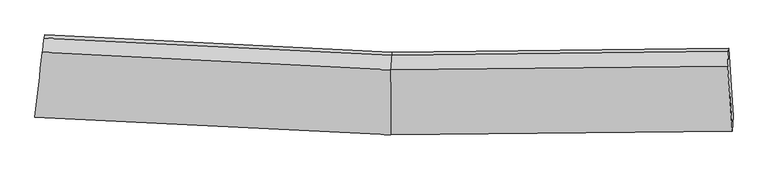
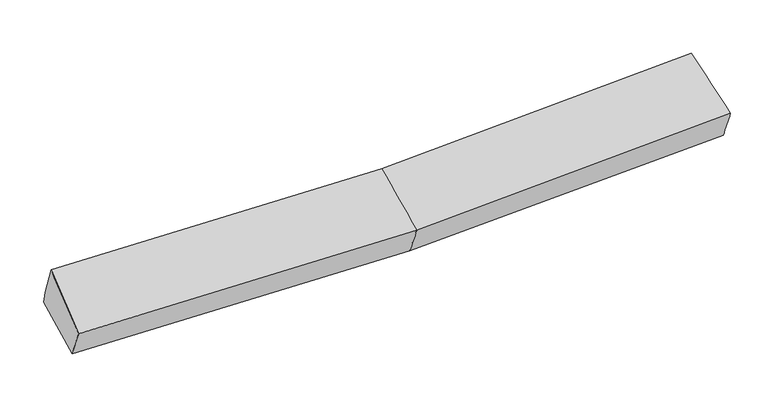
"""IFC4 building model written with IfcOpenShell, lengths in millimetres: proxy geometry."""

from ifc_helpers import new_model, si_unit, frame, origin, place, context, project, spatial, source, transform, mapped, element, save
from ifc_brep_helpers import plane_surface, spline_surface, advanced_brep


def generic_models_896fdf18(model_context):
    return source(origin(), model_context, "Body", "AdvancedBrep", [
        advanced_brep(
        [(-3765.9934287, -1993.8945673, 1991.1801991), (-3746.1031483, -1834.332025, 1641.8424461), (40.5030112, -2025.0001311, 1690.7009188), (29.1032103, -2185.097074, 2040.1743903), (-3663.1515261, -1118.2121495, 1808.8494886), (42.6996271, -1303.797442, 1856.4171104), (-3667.5998998, -1151.7757735, 1954.9785244), (38.2512534, -1337.3610661, 2002.5461462), (-3686.5818263, -1302.8897611, 2325.5903926), (26.3325172, -1488.919619, 2373.270918), (3631.4867192, -1294.2745522, 2111.5607152), (3623.0756605, -1450.2205351, 2501.9143404), (3673.5602983, -2145.3773425, 2170.5047196), (3680.9257069, -1985.7769103, 1800.2645938), (3635.9350929, -1260.7109281, 1965.4316794)],
        [
            (0, 1),
            (1, 2),
            (2, 3),
            (3, 0),
            (1, 4),
            (4, 5),
            (5, 1),
            (4, 6),
            (6, 7),
            (7, 5),
            (6, 8),
            (8, 9),
            (9, 7),
            (8, 0),
            (3, 9),
            (10, 11),
            (11, 12),
            (12, 13),
            (13, 14),
            (14, 10),
            (5, 2),
            (9, 11),
            (10, 7),
            (3, 12),
            (2, 13),
            (5, 14),
        ],
        [
            spline_surface(1, 1, [[(-3765.9934287, -1993.8945673, 1991.1801991), (29.1032103, -2185.097074, 2040.1743903)], [(-3746.1031483, -1834.332025, 1641.8424461), (40.5030112, -2025.0001311, 1690.7009188)]], [2, 2], [2, 2], [0.0, 1.0], [0.0, 1.0]),
            plane_surface(frame((-3704.6273372, -1476.2720872, 1725.3459673), z_axis=(0.023744514423258575, 0.22444322525934154, -0.9741978426736472), x_axis=(0.11209678672186653, 0.9677295615282212, 0.22568519258256423))),
            plane_surface(frame((-3665.375713, -1134.9939615, 1881.9140065), z_axis=(0.045854096828538284, 0.9732916369884391, 0.22494619617233674), x_axis=(-0.029655824975922944, -0.22375749369374515, 0.97419357217182))),
            spline_surface(1, 1, [[(-3667.5998998, -1151.7757735, 1954.9785244), (38.2512534, -1337.3610661, 2002.5461462)], [(-3686.5818263, -1302.8897611, 2325.5903926), (26.3325172, -1488.919619, 2373.270918)]], [2, 2], [2, 2], [0.0, 1.0], [0.0, 1.0]),
            spline_surface(1, 1, [[(-3686.5818263, -1302.8897611, 2325.5903926), (26.3325172, -1488.919619, 2373.270918)], [(-3765.9934287, -1993.8945673, 1991.1801991), (29.1032103, -2185.097074, 2040.1743903)]], [2, 2], [2, 2], [0.0, 1.0], [0.0, 1.0]),
            plane_surface(frame((3648.9966956, -1627.2720537, 2109.9352097), z_axis=(0.9977342179065002, 0.05225691370469712, 0.042375056207212936), x_axis=(-0.020005595400793514, -0.3709155247886142, 0.9284511024407515))),
            plane_surface(frame((-3705.8859658, -1480.2208553, 1944.4882102), z_axis=(-0.9932546714975088, 0.1158968496564687, -0.0036163224527287555), x_axis=(0.10289584946069243, 0.8953543862081669, 0.4333047048689403))),
            plane_surface(frame((-3746.1031483, -1834.332025, 1641.8424461), z_axis=(0.02384142794301904, 0.2238091568227228, -0.9743413404120447), x_axis=(0.002968399997246816, 0.9745982284864215, 0.2239407993925744))),
            spline_surface(1, 1, [[(38.2512534, -1337.3610661, 2002.5461462), (3631.4867192, -1294.2745522, 2111.5607152)], [(26.3325172, -1488.919619, 2373.270918), (3623.0756605, -1450.2205351, 2501.9143404)]], [2, 2], [2, 2], [0.0, 1.0], [0.0, 1.0]),
            spline_surface(1, 1, [[(26.3325172, -1488.919619, 2373.270918), (3623.0756605, -1450.2205351, 2501.9143404)], [(29.1032103, -2185.097074, 2040.1743903), (3673.5602983, -2145.3773425, 2170.5047196)]], [2, 2], [2, 2], [0.0, 1.0], [0.0, 1.0]),
            spline_surface(1, 1, [[(29.1032103, -2185.097074, 2040.1743903), (3673.5602983, -2145.3773425, 2170.5047196)], [(40.5030112, -2025.0001311, 1690.7009188), (3680.9257069, -1985.7769103, 1800.2645938)]], [2, 2], [2, 2], [0.0, 1.0], [0.0, 1.0]),
            spline_surface(1, 1, [[(40.5030112, -2025.0001311, 1690.7009188), (3680.9257069, -1985.7769103, 1800.2645938)], [(42.6996271, -1303.797442, 1856.4171104), (3635.9350929, -1260.7109281, 1965.4316794)]], [2, 2], [2, 2], [0.0, 1.0], [0.0, 1.0]),
            plane_surface(frame((40.4754403, -1320.5792541, 1929.4816283), z_axis=(-0.018460354723837863, 0.9745786178737048, 0.22328397364533284), x_axis=(-0.02965582497592527, -0.22375749369375936, 0.9741935721718167))),
        ],
        [
            (0, [[1, 2, 3, 4]]),
            (1, [[5, 6, 7]]),
            (2, [[8, 9, 10, -6]]),
            (3, [[11, 12, 13, -9]]),
            (4, [[14, -4, 15, -12]]),
            (5, [[16, 17, 18, 19, 20]]),
            (6, [[-14, -11, -8, -5, -1]]),
            (7, [[21, -2, -7]]),
            (8, [[-13, 22, -16, 23]]),
            (9, [[-15, 24, -17, -22]]),
            (10, [[-3, 25, -18, -24]]),
            (11, [[-21, 26, -19, -25]]),
            (12, [[-10, -23, -20, -26]]),
        ],
    ),
    ])


if __name__ == "__main__":
    model = new_model("IFC4")
    model_context = context("Model", 3, world=origin())
    ifc_project = project(units=[si_unit("LENGTHUNIT", "METRE", prefix="MILLI")], contexts=[model_context])
    site = spatial("IfcSite", under=ifc_project)
    building = spatial("IfcBuilding", under=site)
    placement = place(None, origin())
    generic_models_shape = generic_models_896fdf18(model_context)
    element("IfcBuildingElementProxy", 1, Name="Generic Models", at=placement, inside=building, context=model_context, shape_type="MappedRepresentation", body=[
        mapped(generic_models_shape, transform((0.0, 0.0, 0.0), x_axis=(1.0, 0.0, 0.0), y_axis=(0.0, 1.0, 0.0), z_axis=(0.0, 0.0, 1.0))),
    ])
    save(model, "model.ifc")
